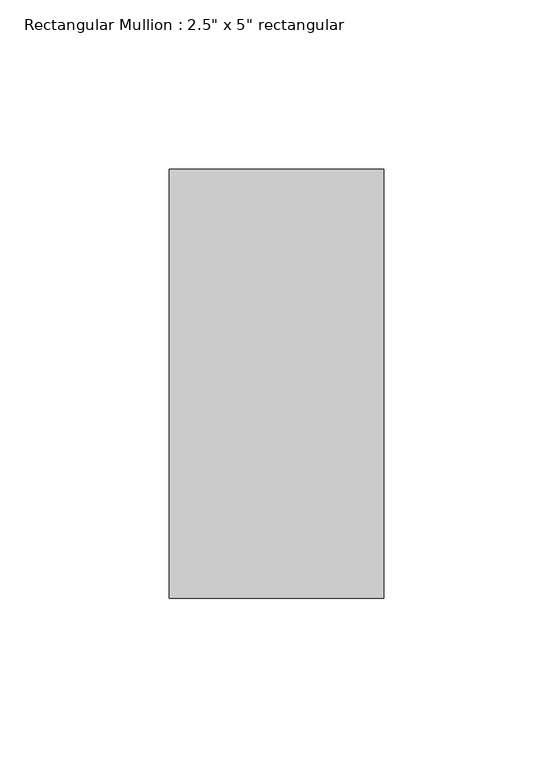
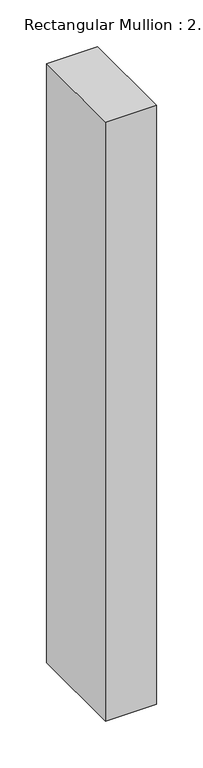
"""IFC4 building model written with IfcOpenShell, lengths in millimetres: member geometry."""

from ifc_helpers import new_model, si_unit, frame, origin, place, context, project, spatial, polyline, outline, extrude, source, transform, mapped, element, save


def member_675c2c12(model_context):
    return source(origin(), model_context, "Body", "SweptSolid", [
        extrude(outline(polyline([(31.75, 63.5), (31.75, -63.5), (-31.75, -63.5), (-31.75, 63.5), (31.75, 63.5)])), frame((0.0, 0.0, -785.3891275), z_axis=(0.0, 0.0, 1.0), x_axis=(1.0, 0.0, 0.0)), (0.0, 0.0, 1.0), 785.3891275),
    ])


if __name__ == "__main__":
    model = new_model("IFC4")
    model_context = context("Model", 3, world=origin())
    ifc_project = project(units=[si_unit("LENGTHUNIT", "METRE", prefix="MILLI")], contexts=[model_context])
    site = spatial("IfcSite", under=ifc_project)
    building = spatial("IfcBuilding", under=site)
    placement = place(None, origin())
    member_shape = member_675c2c12(model_context)
    element("IfcMember", 1, ObjectType="Rectangular Mullion : 2.5\" x 5\" rectangular", at=placement, inside=building, context=model_context, shape_type="MappedRepresentation", body=[
        mapped(member_shape, transform((0.0, 0.0, 0.0), x_axis=(1.0, 0.0, 0.0), y_axis=(0.0, 1.0, 0.0), z_axis=(0.0, 0.0, 1.0))),
    ])
    save(model, "model.ifc")
